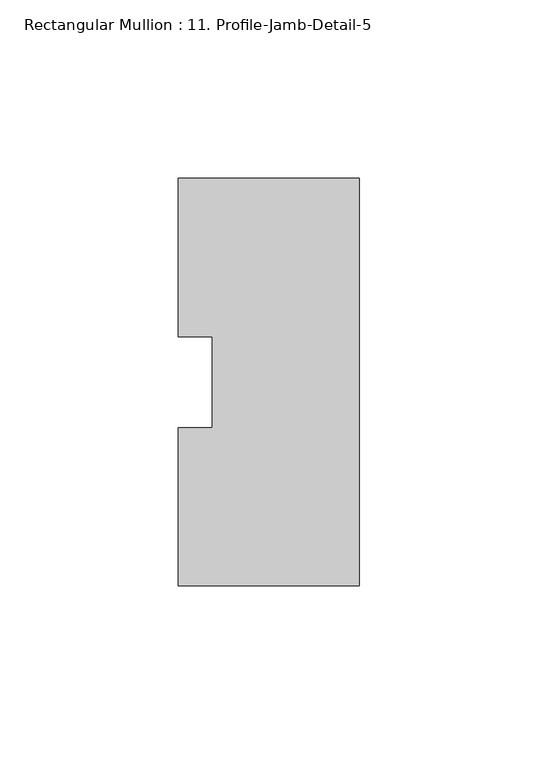
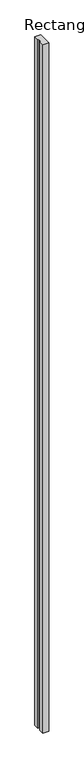
"""IFC4 building model written with IfcOpenShell, lengths in millimetres: member geometry, Rectangular Mullion : 11. Profile-Jamb-Detail-5."""

import ifcopenshell
import ifcopenshell.guid

model = None  # the IFC model being written
_history = None  # IfcOwnerHistory: only IFC2X3 demands one
_inside = {}  # id of a spatial element -> (the spatial element, [elements in it])
_under = {}  # id of a project, library or spatial element -> (it, [spatial elements below it])
_declared = {}  # id of a project -> (the project, [libraries it declares])
_typed = {}  # id of a type object -> (the type object, [elements of that type])
_made_of = {}  # id of a material, layer set ... -> (it, [elements and type objects made of it])


def new_model(schema):
    """Start an empty IFC model of exactly this schema.

    Asked for "IFC4X3", IfcOpenShell would pick the latest addendum, in which some entities
    have other attributes; the version numbers below select the first issue.
    IFC2X3 requires an IfcOwnerHistory on every rooted entity: one is made here for all.
    """
    global model, _history
    if schema == "IFC4X3":
        model = ifcopenshell.file(schema_version=(4, 3, 0, 0))
    else:
        model = ifcopenshell.file(schema=schema)
    _inside.clear()
    _under.clear()
    _declared.clear()
    _typed.clear()
    _made_of.clear()
    _history = None
    if model.schema == "IFC2X3":
        org = make("IfcOrganization", Name="unknown")
        user = make(
            "IfcPersonAndOrganization",
            ThePerson=make("IfcPerson", FamilyName="unknown"),
            TheOrganization=org,
        )
        app = make(
            "IfcApplication",
            ApplicationDeveloper=org,
            Version="unknown",
            ApplicationFullName="unknown",
            ApplicationIdentifier="unknown",
        )
        _history = make(
            "IfcOwnerHistory",
            OwningUser=user,
            OwningApplication=app,
            ChangeAction="ADDED",
            CreationDate=0,
        )
    return model


def make(cls, **values):
    """One entity of the class cls with the attributes given. An attribute that is None is left unset."""
    return model.create_entity(
        cls, **{name: value for name, value in values.items() if value is not None}
    )


def rooted(cls, **values):
    """An entity with a GlobalId (a new one), such as an element, a storey or a relation."""
    return make(cls, GlobalId=ifcopenshell.guid.new(), OwnerHistory=_history, **values)


def si_unit(unit_type, name, prefix=None):
    """IfcSIUnit, for example si_unit("LENGTHUNIT", "METRE", prefix="MILLI")."""
    return make("IfcSIUnit", UnitType=unit_type, Prefix=prefix, Name=name)


def assignment(units):
    """IfcUnitAssignment: the units of a project."""
    return None if units is None else make("IfcUnitAssignment", Units=units)


def point(xyz):
    """IfcCartesianPoint."""
    return None if xyz is None else make("IfcCartesianPoint", Coordinates=xyz)


def direction(xyz):
    """IfcDirection."""
    return None if xyz is None else make("IfcDirection", DirectionRatios=xyz)


def frame(location, z_axis=None, x_axis=None):
    """IfcAxis2Placement3D, a coordinate frame: its origin and axes. An axis left out is left unset."""
    return make(
        "IfcAxis2Placement3D",
        Location=point(location),
        Axis=direction(z_axis),
        RefDirection=direction(x_axis),
    )


def origin():
    """The frame at (0, 0, 0) with its axes left unset."""
    return frame((0.0, 0.0, 0.0))


def place(relative_to, where):
    """IfcLocalPlacement: puts the frame where relative to a parent placement (None: the world)."""
    return make(
        "IfcLocalPlacement", PlacementRelTo=relative_to, RelativePlacement=where
    )


def context(
    kind, dimensions, precision=None, world=None, true_north=None, identifier=None
):
    """IfcGeometricRepresentationContext, for example the 3D "Model" context."""
    return make(
        "IfcGeometricRepresentationContext",
        ContextIdentifier=identifier,
        ContextType=kind,
        CoordinateSpaceDimension=dimensions,
        Precision=precision,
        WorldCoordinateSystem=world,
        TrueNorth=true_north,
    )


def project(units=None, contexts=None):
    """IfcProject with its units and contexts."""
    return rooted(
        "IfcProject",
        Name="project",
        RepresentationContexts=contexts,
        UnitsInContext=assignment(units),
    )


def spatial(cls, under=None, at=None, **own):
    """A site, building, storey or space (cls), placed at a placement, below another one or the project."""
    s = rooted(cls, ObjectPlacement=at, **own)
    if under is not None:
        _under.setdefault(under.id(), (under, []))[1].append(s)
    return s


def polyline(points):
    """IfcPolyline through the points."""
    return make("IfcPolyline", Points=[point(p) for p in points])


def outline(outer, holes=None, kind="AREA"):
    """IfcArbitraryClosedProfileDef: a profile drawn as a closed curve; with holes, ...WithVoids."""
    if holes is None:
        return make("IfcArbitraryClosedProfileDef", ProfileType=kind, OuterCurve=outer)
    return make(
        "IfcArbitraryProfileDefWithVoids",
        ProfileType=kind,
        OuterCurve=outer,
        InnerCurves=holes,
    )


def extrude(swept, where, along, depth):
    """IfcExtrudedAreaSolid: the profile swept, set in the frame where, extruded along a direction by depth."""
    return make(
        "IfcExtrudedAreaSolid",
        SweptArea=swept,
        Position=where,
        ExtrudedDirection=direction(along),
        Depth=depth,
    )


def shape(context_of_items, identifier, shape_type, items):
    """IfcShapeRepresentation: the items that make up one representation, for example the "Body"."""
    return make(
        "IfcShapeRepresentation",
        ContextOfItems=context_of_items,
        RepresentationIdentifier=identifier,
        RepresentationType=shape_type,
        Items=items,
    )


def source(mapping_origin, context_of_items, identifier, shape_type, items):
    """IfcRepresentationMap: a shape defined once, which mapped items show again and again."""
    return make(
        "IfcRepresentationMap",
        MappingOrigin=mapping_origin,
        MappedRepresentation=shape(context_of_items, identifier, shape_type, items),
    )


def transform(
    local_origin,
    x_axis=None,
    y_axis=None,
    z_axis=None,
    scale=None,
    scale2=None,
    scale3=None,
    uniform=True,
):
    """IfcCartesianTransformationOperator3D, or its non-uniform kind. x_axis, y_axis, z_axis: its Axis1, 2, 3."""
    if uniform:
        return make(
            "IfcCartesianTransformationOperator3D",
            Axis1=direction(x_axis),
            Axis2=direction(y_axis),
            LocalOrigin=point(local_origin),
            Scale=scale,
            Axis3=direction(z_axis),
        )
    return make(
        "IfcCartesianTransformationOperator3DnonUniform",
        Axis1=direction(x_axis),
        Axis2=direction(y_axis),
        LocalOrigin=point(local_origin),
        Scale=scale,
        Axis3=direction(z_axis),
        Scale2=scale2,
        Scale3=scale3,
    )


def mapped(mapping_source, mapping_target):
    """IfcMappedItem: shows the shape of a source again, moved by a transform."""
    return make(
        "IfcMappedItem", MappingSource=mapping_source, MappingTarget=mapping_target
    )


def made_of(thing, what):
    """Note that an element or type object is made of a material, layer set ...; save() writes the relation."""
    if what is not None:
        _made_of.setdefault(what.id(), (what, []))[1].append(thing)
    return thing


def element(
    cls,
    number,
    at=None,
    inside=None,
    cuts=None,
    type_object=None,
    material=None,
    context=None,
    identifier="Body",
    shape_type=None,
    held_by="IfcProductDefinitionShape",
    body=None,
    shapes=None,
    **own,
):
    """One element of the class cls, such as IfcWall. Its Tag is "e" and its number.

    at: its placement. inside: the storey or other place that contains it. cuts: it is an
    opening in that element (IfcRelVoidsElement). A single representation is given by context,
    identifier, shape_type and body (its items); several are given by shapes. held_by: the class
    of the entity that holds the representations. save() writes the other relations.
    """
    e = rooted(cls, Tag="e%d" % number, ObjectPlacement=at, **own)
    if body is not None:
        shapes = [shape(context, identifier, shape_type, body)]
    if shapes is not None:
        e.Representation = make(held_by, Representations=shapes)
    if inside is not None:
        _inside.setdefault(inside.id(), (inside, []))[1].append(e)
    if cuts is not None:
        rooted(
            "IfcRelVoidsElement", RelatingBuildingElement=cuts, RelatedOpeningElement=e
        )
    if type_object is not None:
        _typed.setdefault(type_object.id(), (type_object, []))[1].append(e)
    return made_of(e, material)


def aggregate(whole, parts):
    """IfcRelAggregates: a whole, such as a stair, and the parts it consists of."""
    return rooted("IfcRelAggregates", RelatingObject=whole, RelatedObjects=parts)


def save(model, path):
    """Write the relations noted so far, then the file.

    IfcRelAggregates (storeys below a building ...), IfcRelContainedInSpatialStructure (elements
    in a storey), IfcRelDefinesByType, IfcRelAssociatesMaterial and IfcRelDeclares: one each for
    every whole, place, type object, material and project.
    """
    for whole, parts in _under.values():
        aggregate(whole, parts)
    for where, things in _inside.values():
        rooted(
            "IfcRelContainedInSpatialStructure",
            RelatedElements=things,
            RelatingStructure=where,
        )
    for kind, things in _typed.values():
        rooted("IfcRelDefinesByType", RelatedObjects=things, RelatingType=kind)
    for what, things in _made_of.values():
        rooted("IfcRelAssociatesMaterial", RelatedObjects=things, RelatingMaterial=what)
    for by, libraries in _declared.values():
        rooted("IfcRelDeclares", RelatingContext=by, RelatedDefinitions=libraries)
    model.write(path)


def rectangular_mullion_11_profile_jamb_detail_5_cc247c23(model_context):
    return source(origin(), model_context, "Body", "SweptSolid", [
        extrude(outline(polyline([(0.0, 57.1565722), (0.0, -57.1565088), (-50.8, -57.1565088), (-50.8, -12.7392045), (-41.275, -12.7392045), (-41.275, 12.7484939), (-50.8, 12.7484939), (-50.8, 57.1434912), (0.0, 57.1565722)])), frame((0.0, 0.0, -6096.0), z_axis=(0.0, 0.0, 1.0), x_axis=(1.0, 0.0, 0.0)), (0.0, 0.0, 1.0), 6096.0),
    ])


if __name__ == "__main__":
    model = new_model("IFC4")
    model_context = context("Model", 3, world=origin())
    ifc_project = project(units=[si_unit("LENGTHUNIT", "METRE", prefix="MILLI")], contexts=[model_context])
    site = spatial("IfcSite", under=ifc_project)
    building = spatial("IfcBuilding", under=site)
    placement = place(None, origin())
    rectangular_mullion_11_profile_jamb_detail_5_shape = rectangular_mullion_11_profile_jamb_detail_5_cc247c23(model_context)
    element("IfcMember", 1, ObjectType="Rectangular Mullion : 11. Profile-Jamb-Detail-5", at=placement, inside=building, context=model_context, shape_type="MappedRepresentation", body=[
        mapped(rectangular_mullion_11_profile_jamb_detail_5_shape, transform((0.0, 0.0, 0.0), x_axis=(1.0, 0.0, 0.0), y_axis=(0.0, 1.0, 0.0), z_axis=(0.0, 0.0, 1.0))),
    ])
    save(model, "model.ifc")
